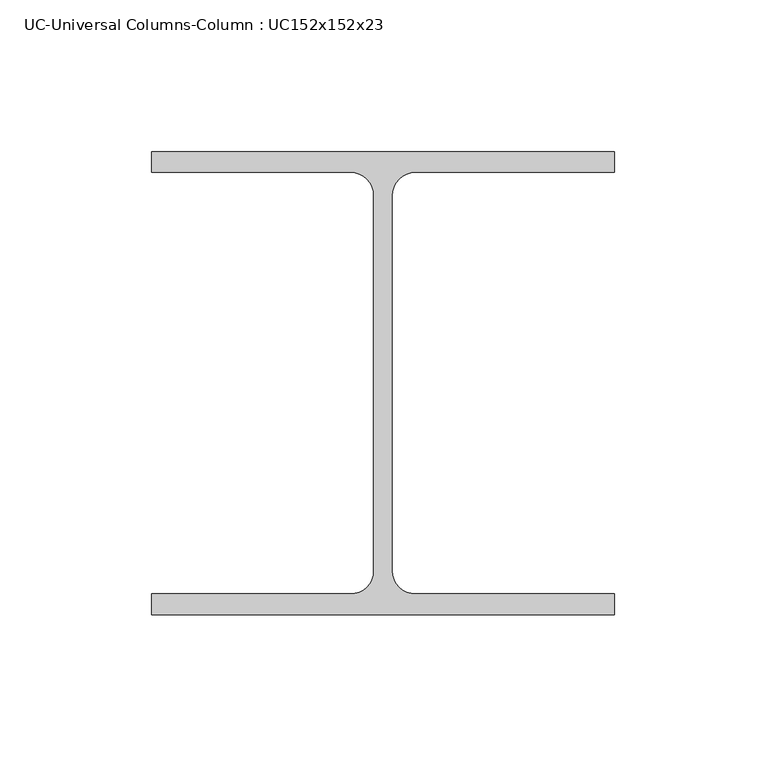
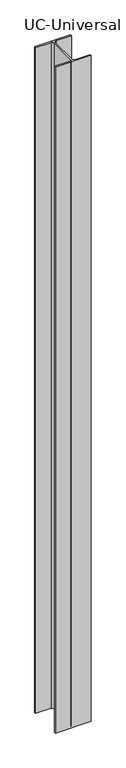
"""IFC4 building model written with IfcOpenShell, lengths in millimetres: column geometry, UC-Universal Columns-Column : UC152x152x23."""

from ifc_helpers import new_model, si_unit, point, frame_2d, origin, origin_with_axes, place, context, project, spatial, polyline, circle_curve, trimmed, segment, composite_curve, outline, extrude, source, transform, mapped, element, save


def uc_universal_columns_column_uc152x152x23_10921a41(model_context):
    return source(origin(), model_context, "Body", "SweptSolid", [
        extrude(outline(composite_curve([segment(polyline([(76.2, -76.2), (-76.2, -76.2), (-76.2, -69.4), (-10.65, -69.4)]), True, "CONTINUOUS"), segment(trimmed(circle_curve(frame_2d((-10.65, -61.8)), 7.6), [point((-10.65, -69.4))], [point((-3.05, -61.8))], True, "CARTESIAN"), True, "CONTINUOUS"), segment(polyline([(-3.05, -61.8), (-3.05, 61.8)]), True, "CONTINUOUS"), segment(trimmed(circle_curve(frame_2d((-10.65, 61.8)), 7.6), [point((-3.05, 61.8))], [point((-10.65, 69.4))], True, "CARTESIAN"), True, "CONTINUOUS"), segment(polyline([(-10.65, 69.4), (-76.2, 69.4), (-76.2, 76.2), (76.2, 76.2), (76.2, 69.4), (10.65, 69.4)]), True, "CONTINUOUS"), segment(trimmed(circle_curve(frame_2d((10.65, 61.8)), 7.6), [point((10.65, 69.4))], [point((3.05, 61.8))], True, "CARTESIAN"), True, "CONTINUOUS"), segment(polyline([(3.05, 61.8), (3.05, -61.8)]), True, "CONTINUOUS"), segment(trimmed(circle_curve(frame_2d((10.65, -61.8)), 7.6), [point((3.05, -61.8))], [point((10.65, -69.4))], True, "CARTESIAN"), True, "CONTINUOUS"), segment(polyline([(10.65, -69.4), (76.2, -69.4), (76.2, -76.2)]), True, "CONTINUOUS")], self_intersect=False)), origin_with_axes(), (0.0, 0.0, 1.0), 3000.0),
    ])


if __name__ == "__main__":
    model = new_model("IFC4")
    model_context = context("Model", 3, world=origin())
    ifc_project = project(units=[si_unit("LENGTHUNIT", "METRE", prefix="MILLI")], contexts=[model_context])
    site = spatial("IfcSite", under=ifc_project)
    building = spatial("IfcBuilding", under=site)
    placement = place(None, origin())
    uc_universal_columns_column_uc152x152x23_shape = uc_universal_columns_column_uc152x152x23_10921a41(model_context)
    element("IfcColumn", 1, ObjectType="UC-Universal Columns-Column : UC152x152x23", at=placement, inside=building, context=model_context, shape_type="MappedRepresentation", body=[
        mapped(uc_universal_columns_column_uc152x152x23_shape, transform((0.0, 0.0, 0.0), x_axis=(1.0, 0.0, 0.0), y_axis=(0.0, 1.0, 0.0), z_axis=(0.0, 0.0, 1.0))),
    ])
    save(model, "model.ifc")
